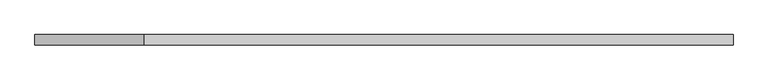
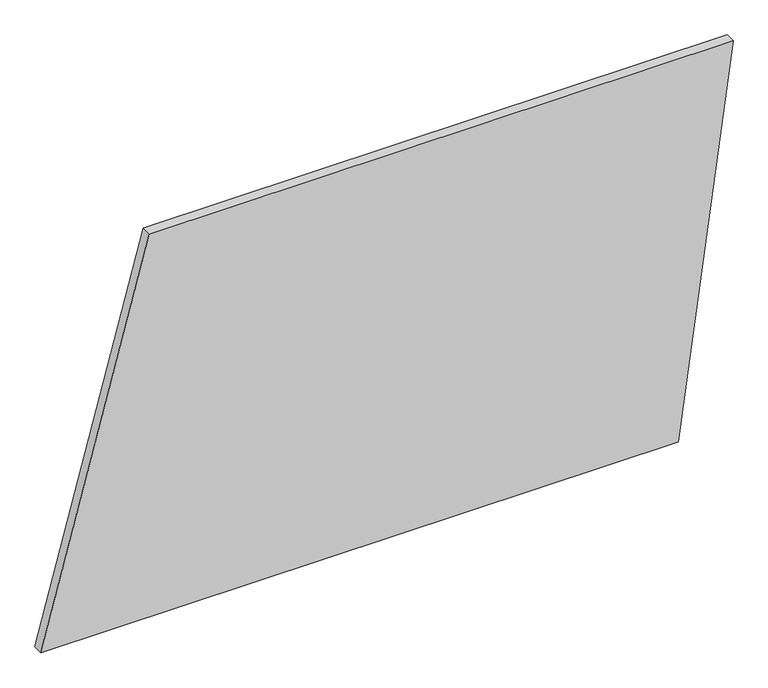
"""IFC4 building model written with IfcOpenShell, lengths in millimetres: plate geometry."""

from ifc_helpers import new_model, si_unit, frame, origin, place, context, project, spatial, polyline, outline, extrude, source, transform, mapped, element, save


def plate_e9767098(model_context):
    return source(origin(), model_context, "Body", "SweptSolid", [
        extrude(outline(polyline([(0.0, -854.5039742), (0.0, 718.7519523), (1000.0, 854.5039742), (1000.0, -586.5547817), (0.0, -854.5039742)])), frame((0.0, 24.5, 0.0), z_axis=(0.0, 1.0, 0.0), x_axis=(0.0, 0.0, 1.0)), (0.0, 0.0, 1.0), 25.0),
    ])


if __name__ == "__main__":
    model = new_model("IFC4")
    model_context = context("Model", 3, world=origin())
    ifc_project = project(units=[si_unit("LENGTHUNIT", "METRE", prefix="MILLI")], contexts=[model_context])
    site = spatial("IfcSite", under=ifc_project)
    building = spatial("IfcBuilding", under=site)
    placement = place(None, origin())
    plate_shape = plate_e9767098(model_context)
    element("IfcPlate", 1, at=placement, inside=building, context=model_context, shape_type="MappedRepresentation", body=[
        mapped(plate_shape, transform((0.0, 0.0, 0.0), x_axis=(1.0, 0.0, 0.0), y_axis=(0.0, 1.0, 0.0), z_axis=(0.0, 0.0, 1.0))),
    ])
    save(model, "model.ifc")
